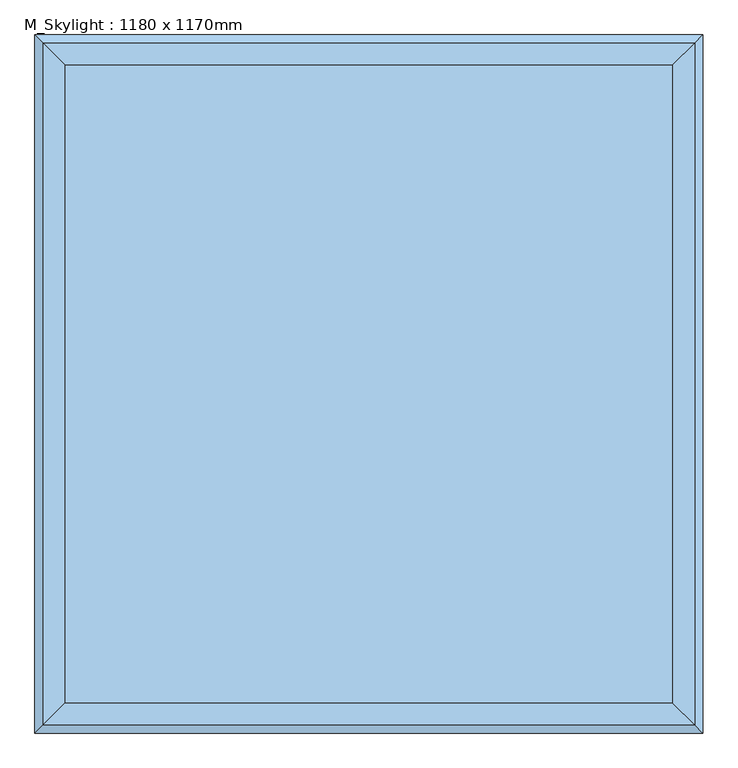
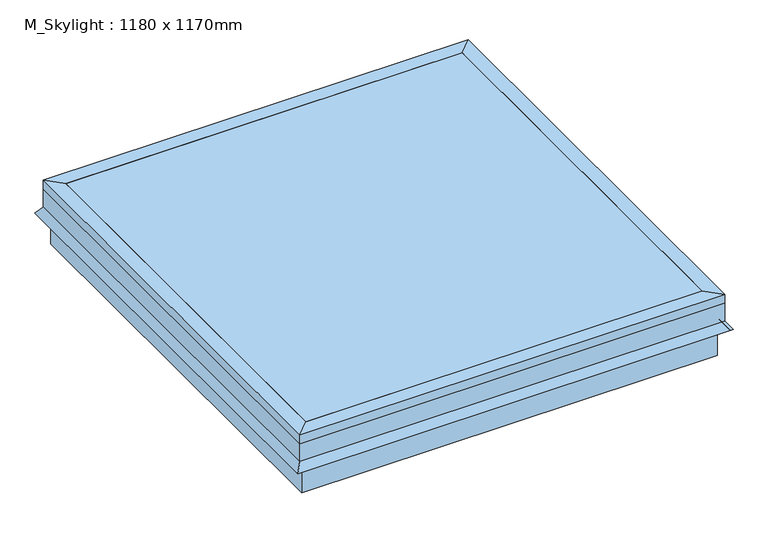
"""IFC4 building model written with IfcOpenShell, lengths in millimetres: window geometry, M_Skylight : 1180 x 1170mm."""

from ifc_helpers import new_model, si_unit, frame, origin, place, context, project, spatial, polyline, outline, extrude, faceted_brep, source, transform, mapped, element, save


def m_skylight_1180_x_1170mm_34521f59(model_context):
    return source(origin(), model_context, "Body", "SolidModel", [
        faceted_brep([(254.440073, 370.1040988, 4210.0), (279.840073, 395.5040988, 4210.0), (279.840073, -774.4959012, 4210.0), (254.440073, -749.0959012, 4210.0), (254.440073, 370.1040988, 4235.4), (254.440073, -749.0959012, 4235.4), (292.540073, 408.2040988, 4235.4), (292.540073, -787.1959012, 4235.4), (292.540073, 408.2040988, 4210.0), (292.540073, -787.1959012, 4210.0), (292.540073, 408.2040988, 4159.2), (292.540073, -787.1959012, 4159.2), (307.1089145, 422.7729403, 4138.3935381), (307.1089145, -801.7647427, 4138.3935381), (301.907299, 417.5713248, 4134.7513277), (301.907299, -796.5631272, 4134.7513277), (286.190073, 401.8540988, 4157.1978527), (286.190073, -780.8459012, 4157.1978527), (286.190073, 401.8540988, 4210.0), (286.190073, -780.8459012, 4210.0), (-838.159927, -774.4959012, 4210.0), (-812.759927, -749.0959012, 4210.0), (-812.759927, -749.0959012, 4235.4), (-850.859927, -787.1959012, 4235.4), (-850.859927, -787.1959012, 4210.0), (-850.859927, -787.1959012, 4159.2), (-865.4287685, -801.7647427, 4138.3935381), (-860.227153, -796.5631272, 4134.7513277), (-844.509927, -780.8459012, 4157.1978527), (-844.509927, -780.8459012, 4210.0), (-838.159927, 395.5040988, 4210.0), (-812.759927, 370.1040988, 4210.0), (-812.759927, 370.1040988, 4235.4), (-850.859927, 408.2040988, 4235.4), (-850.859927, 408.2040988, 4210.0), (-850.859927, 408.2040988, 4159.2), (-865.4287685, 422.7729403, 4138.3935381), (-860.227153, 417.5713248, 4134.7513277), (-844.509927, 401.8540988, 4157.1978527), (-844.509927, 401.8540988, 4210.0)], [[[0, 1, 2, 3]], [[4, 0, 3, 5]], [[6, 4, 5, 7]], [[8, 6, 7, 9]], [[10, 8, 9, 11]], [[12, 10, 11, 13]], [[14, 12, 13, 15]], [[16, 14, 15, 17]], [[18, 16, 17, 19]], [[1, 18, 19, 2]], [[3, 2, 20, 21]], [[5, 3, 21, 22]], [[7, 5, 22, 23]], [[9, 7, 23, 24]], [[11, 9, 24, 25]], [[13, 11, 25, 26]], [[15, 13, 26, 27]], [[17, 15, 27, 28]], [[19, 17, 28, 29]], [[2, 19, 29, 20]], [[21, 20, 30, 31]], [[22, 21, 31, 32]], [[23, 22, 32, 33]], [[24, 23, 33, 34]], [[25, 24, 34, 35]], [[26, 25, 35, 36]], [[27, 26, 36, 37]], [[28, 27, 37, 38]], [[29, 28, 38, 39]], [[20, 29, 39, 30]], [[31, 30, 1, 0]], [[32, 31, 0, 4]], [[33, 32, 4, 6]], [[34, 33, 6, 8]], [[35, 34, 8, 10]], [[36, 35, 10, 12]], [[37, 36, 12, 14]], [[38, 37, 14, 16]], [[39, 38, 16, 18]], [[30, 39, 18, 1]]]),
        faceted_brep([(279.840073, -774.4959012, 4210.0), (279.840073, -774.4959012, 4057.6), (279.840073, 395.5040988, 4057.6), (279.840073, 395.5040988, 4210.0), (254.440073, -749.0959012, 4210.0), (254.440073, 370.1040988, 4210.0), (254.440073, -749.0959012, 4184.6), (254.440073, 370.1040988, 4184.6), (235.390073, -730.0459012, 4184.6), (235.390073, 351.0540988, 4184.6), (235.390073, -730.0459012, 4057.6), (235.390073, 351.0540988, 4057.6), (-838.159927, 395.5040988, 4057.6), (-838.159927, 395.5040988, 4210.0), (-812.759927, 370.1040988, 4210.0), (-812.759927, 370.1040988, 4184.6), (-793.709927, 351.0540988, 4184.6), (-793.709927, 351.0540988, 4057.6), (-838.159927, -774.4959012, 4057.6), (-838.159927, -774.4959012, 4210.0), (-812.759927, -749.0959012, 4210.0), (-812.759927, -749.0959012, 4184.6), (-793.709927, -730.0459012, 4184.6), (-793.709927, -730.0459012, 4057.6)], [[[0, 1, 2, 3]], [[4, 0, 3, 5]], [[6, 4, 5, 7]], [[8, 6, 7, 9]], [[10, 8, 9, 11]], [[1, 10, 11, 2]], [[3, 2, 12, 13]], [[5, 3, 13, 14]], [[7, 5, 14, 15]], [[9, 7, 15, 16]], [[11, 9, 16, 17]], [[2, 11, 17, 12]], [[13, 12, 18, 19]], [[14, 13, 19, 20]], [[15, 14, 20, 21]], [[16, 15, 21, 22]], [[17, 16, 22, 23]], [[12, 17, 23, 18]], [[19, 18, 1, 0]], [[20, 19, 0, 4]], [[21, 20, 4, 6]], [[22, 21, 6, 8]], [[23, 22, 8, 10]], [[18, 23, 10, 1]]]),
        extrude(outline(polyline([(254.440073, -749.0959012), (-812.759927, -749.0959012), (-812.759927, 370.1040988), (254.440073, 370.1040988), (254.440073, -749.0959012)])), frame((0.0, 0.0, 4229.05), z_axis=(0.0, 0.0, 1.0), x_axis=(1.0, 0.0, 0.0)), (0.0, 0.0, 1.0), 6.35),
    ])


if __name__ == "__main__":
    model = new_model("IFC4")
    model_context = context("Model", 3, world=origin())
    ifc_project = project(units=[si_unit("LENGTHUNIT", "METRE", prefix="MILLI")], contexts=[model_context])
    site = spatial("IfcSite", under=ifc_project)
    building = spatial("IfcBuilding", under=site)
    placement = place(None, origin())
    m_skylight_1180_x_1170mm_shape = m_skylight_1180_x_1170mm_34521f59(model_context)
    element("IfcWindow", 1, ObjectType="M_Skylight : 1180 x 1170mm", at=placement, inside=building, context=model_context, shape_type="MappedRepresentation", body=[
        mapped(m_skylight_1180_x_1170mm_shape, transform((0.0, 0.0, 0.0), x_axis=(1.0, 0.0, 0.0), y_axis=(0.0, 1.0, 0.0), z_axis=(0.0, 0.0, 1.0))),
    ])
    save(model, "model.ifc")
